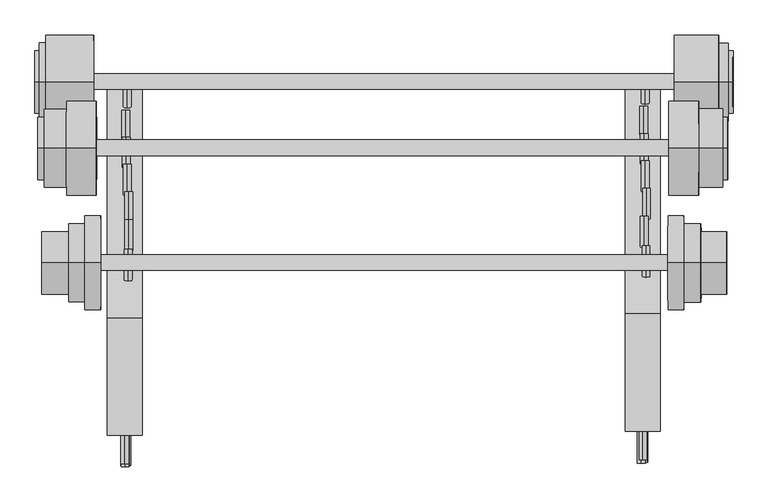
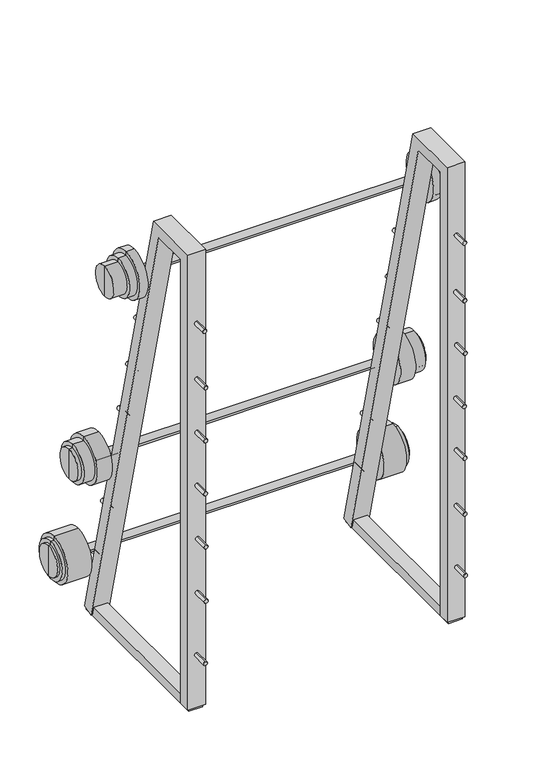
"""IFC4 building model written with IfcOpenShell, lengths in millimetres: proxy geometry."""

from ifc_helpers import new_model, si_unit, point, frame, frame_2d, origin, place, context, project, spatial, polyline, circle_curve, trimmed, segment, composite_curve, outline, extrude, source, transform, mapped, element, save
from ifc_brep_helpers import plane_surface, cylinder_surface, advanced_brep


def specialty_equipment_92856e84(model_context):
    return source(origin(), model_context, "Body", "SolidModel", [
        extrude(outline(composite_curve([segment(trimmed(circle_curve(frame_2d((1317.4327593, 1426.5135242)), 6.35), [point((1311.0827593, 1426.5135242))], [point((1323.7827593, 1426.5135242))], False, "CARTESIAN"), True, "CONTINUOUS"), segment(trimmed(circle_curve(frame_2d((1317.4327593, 1426.5135242)), 6.35), [point((1323.7827593, 1426.5135242))], [point((1311.0827593, 1426.5135242))], False, "CARTESIAN"), True, "CONTINUOUS")], self_intersect=False)), frame((0.0, 2492.8443645, 0.0), z_axis=(0.0, 1.0, 0.0), x_axis=(0.0, 0.0, 1.0)), (0.0, 0.0, 1.0), 50.8),
        extrude(outline(composite_curve([segment(trimmed(circle_curve(frame_2d((1125.8539952, 1423.9521431)), 6.35), [point((1119.5039952, 1423.9521431))], [point((1132.2039952, 1423.9521431))], False, "CARTESIAN"), True, "CONTINUOUS"), segment(trimmed(circle_curve(frame_2d((1125.8539952, 1423.9521431)), 6.35), [point((1132.2039952, 1423.9521431))], [point((1119.5039952, 1423.9521431))], False, "CARTESIAN"), True, "CONTINUOUS")], self_intersect=False)), frame((0.0, 2487.5928713, 0.0), z_axis=(0.0, 1.0, 0.0), x_axis=(0.0, 0.0, 1.0)), (0.0, 0.0, 1.0), 50.8),
        extrude(outline(composite_curve([segment(trimmed(circle_curve(frame_2d((944.9274605, 1426.8239084)), 6.35), [point((938.5774605, 1426.8239084))], [point((951.2774605, 1426.8239084))], False, "CARTESIAN"), True, "CONTINUOUS"), segment(trimmed(circle_curve(frame_2d((944.9274605, 1426.8239084)), 6.35), [point((951.2774605, 1426.8239084))], [point((938.5774605, 1426.8239084))], False, "CARTESIAN"), True, "CONTINUOUS")], self_intersect=False)), frame((0.0, 2489.2196629, 0.0), z_axis=(0.0, 1.0, 0.0), x_axis=(0.0, 0.0, 1.0)), (0.0, 0.0, 1.0), 50.8),
        extrude(outline(composite_curve([segment(trimmed(circle_curve(frame_2d((764.8635011, 1424.3394588)), 6.35), [point((758.5135011, 1424.3394588))], [point((771.2135011, 1424.3394588))], False, "CARTESIAN"), True, "CONTINUOUS"), segment(trimmed(circle_curve(frame_2d((764.8635011, 1424.3394588)), 6.35), [point((771.2135011, 1424.3394588))], [point((758.5135011, 1424.3394588))], False, "CARTESIAN"), True, "CONTINUOUS")], self_intersect=False)), frame((0.0, 2490.03498, 0.0), z_axis=(0.0, 1.0, 0.0), x_axis=(0.0, 0.0, 1.0)), (0.0, 0.0, 1.0), 50.8),
        extrude(outline(composite_curve([segment(trimmed(circle_curve(frame_2d((588.0030748, 1426.3858814)), 6.35), [point((581.6530748, 1426.3858814))], [point((594.3530748, 1426.3858814))], False, "CARTESIAN"), True, "CONTINUOUS"), segment(trimmed(circle_curve(frame_2d((588.0030748, 1426.3858814)), 6.35), [point((594.3530748, 1426.3858814))], [point((581.6530748, 1426.3858814))], False, "CARTESIAN"), True, "CONTINUOUS")], self_intersect=False)), frame((0.0, 2490.6876236, 0.0), z_axis=(0.0, 1.0, 0.0), x_axis=(0.0, 0.0, 1.0)), (0.0, 0.0, 1.0), 50.8),
        extrude(outline(composite_curve([segment(trimmed(circle_curve(frame_2d((399.6720756, 1425.3663836)), 6.35), [point((393.3220756, 1425.3663836))], [point((406.0220756, 1425.3663836))], False, "CARTESIAN"), True, "CONTINUOUS"), segment(trimmed(circle_curve(frame_2d((399.6720756, 1425.3663836)), 6.35), [point((406.0220756, 1425.3663836))], [point((393.3220756, 1425.3663836))], False, "CARTESIAN"), True, "CONTINUOUS")], self_intersect=False)), frame((0.0, 2488.6122407, 0.0), z_axis=(0.0, 1.0, 0.0), x_axis=(0.0, 0.0, 1.0)), (0.0, 0.0, 1.0), 50.8),
        extrude(outline(composite_curve([segment(trimmed(circle_curve(frame_2d((189.5629531, 1427.5541395)), 6.35), [point((183.2129531, 1427.5541395))], [point((195.9129531, 1427.5541395))], False, "CARTESIAN"), True, "CONTINUOUS"), segment(trimmed(circle_curve(frame_2d((189.5629531, 1427.5541395)), 6.35), [point((195.9129531, 1427.5541395))], [point((183.2129531, 1427.5541395))], False, "CARTESIAN"), True, "CONTINUOUS")], self_intersect=False)), frame((0.0, 2489.5354538, 0.0), z_axis=(0.0, 1.0, 0.0), x_axis=(0.0, 0.0, 1.0)), (0.0, 0.0, 1.0), 50.8),
        extrude(outline(composite_curve([segment(trimmed(circle_curve(frame_2d((1312.35276, 1431.4679697)), 6.35), [point((1306.00276, 1431.4679697))], [point((1318.70276, 1431.4679697))], False, "CARTESIAN"), True, "CONTINUOUS"), segment(trimmed(circle_curve(frame_2d((1312.35276, 1431.4679697)), 6.35), [point((1318.70276, 1431.4679697))], [point((1306.00276, 1431.4679697))], False, "CARTESIAN"), True, "CONTINUOUS")], self_intersect=False)), frame((0.0, 2788.833564, 0.0), z_axis=(0.0, 1.0, 0.0), x_axis=(0.0, 0.0, 1.0)), (0.0, 0.0, 1.0), 50.8),
        extrude(outline(composite_curve([segment(trimmed(circle_curve(frame_2d((1122.2914332, 1428.4125784)), 6.35), [point((1115.9414332, 1428.4125784))], [point((1128.6414332, 1428.4125784))], False, "CARTESIAN"), True, "CONTINUOUS"), segment(trimmed(circle_curve(frame_2d((1122.2914332, 1428.4125784)), 6.35), [point((1128.6414332, 1428.4125784))], [point((1115.9414332, 1428.4125784))], False, "CARTESIAN"), True, "CONTINUOUS")], self_intersect=False)), frame((0.0, 2836.7451793, 0.0), z_axis=(0.0, 1.0, 0.0), x_axis=(0.0, 0.0, 1.0)), (0.0, 0.0, 1.0), 50.8),
        extrude(outline(composite_curve([segment(trimmed(circle_curve(frame_2d((937.6070397, 1432.260968)), 6.35), [point((931.2570397, 1432.260968))], [point((943.9570397, 1432.260968))], False, "CARTESIAN"), True, "CONTINUOUS"), segment(trimmed(circle_curve(frame_2d((937.6070397, 1432.260968)), 6.35), [point((943.9570397, 1432.260968))], [point((931.2570397, 1432.260968))], False, "CARTESIAN"), True, "CONTINUOUS")], self_intersect=False)), frame((0.0, 2882.2458181, 0.0), z_axis=(0.0, 1.0, 0.0), x_axis=(0.0, 0.0, 1.0)), (0.0, 0.0, 1.0), 50.8),
        extrude(outline(composite_curve([segment(trimmed(circle_curve(frame_2d((760.7995017, 1430.304206)), 6.35), [point((754.4495017, 1430.304206))], [point((767.1495017, 1430.304206))], False, "CARTESIAN"), True, "CONTINUOUS"), segment(trimmed(circle_curve(frame_2d((760.7995017, 1430.304206)), 6.35), [point((767.1495017, 1430.304206))], [point((754.4495017, 1430.304206))], False, "CARTESIAN"), True, "CONTINUOUS")], self_intersect=False)), frame((0.0, 2926.8345753, 0.0), z_axis=(0.0, 1.0, 0.0), x_axis=(0.0, 0.0, 1.0)), (0.0, 0.0, 1.0), 50.8),
        extrude(outline(composite_curve([segment(trimmed(circle_curve(frame_2d((580.8910758, 1428.5055717)), 6.35), [point((574.5410758, 1428.5055717))], [point((587.2410758, 1428.5055717))], False, "CARTESIAN"), True, "CONTINUOUS"), segment(trimmed(circle_curve(frame_2d((580.8910758, 1428.5055717)), 6.35), [point((587.2410758, 1428.5055717))], [point((574.5410758, 1428.5055717))], False, "CARTESIAN"), True, "CONTINUOUS")], self_intersect=False)), frame((0.0, 2970.5924421, 0.0), z_axis=(0.0, 1.0, 0.0), x_axis=(0.0, 0.0, 1.0)), (0.0, 0.0, 1.0), 50.8),
        extrude(outline(composite_curve([segment(trimmed(circle_curve(frame_2d((394.2354828, 1427.8426674)), 6.35), [point((387.8854828, 1427.8426674))], [point((400.5854828, 1427.8426674))], False, "CARTESIAN"), True, "CONTINUOUS"), segment(trimmed(circle_curve(frame_2d((394.2354828, 1427.8426674)), 6.35), [point((400.5854828, 1427.8426674))], [point((387.8854828, 1427.8426674))], False, "CARTESIAN"), True, "CONTINUOUS")], self_intersect=False)), frame((0.0, 3014.4802405, 0.0), z_axis=(0.0, 1.0, 0.0), x_axis=(0.0, 0.0, 1.0)), (0.0, 0.0, 1.0), 50.8),
        extrude(outline(composite_curve([segment(trimmed(circle_curve(frame_2d((187.9856629, 1430.0350758)), 6.35), [point((181.6356629, 1430.0350758))], [point((194.3356629, 1430.0350758))], False, "CARTESIAN"), True, "CONTINUOUS"), segment(trimmed(circle_curve(frame_2d((187.9856629, 1430.0350758)), 6.35), [point((194.3356629, 1430.0350758))], [point((181.6356629, 1430.0350758))], False, "CARTESIAN"), True, "CONTINUOUS")], self_intersect=False)), frame((0.0, 3066.6542686, 0.0), z_axis=(0.0, 1.0, 0.0), x_axis=(0.0, 0.0, 1.0)), (0.0, 0.0, 1.0), 50.8),
        extrude(outline(polyline([(1446.6601812, 2540.4948136), (1402.2101812, 2540.4948136), (1402.2101812, 3111.1850195), (1446.6601812, 3111.1850195), (1446.6601812, 2540.4948136)])), frame((0.0, 0.0, 4.9132086), z_axis=(0.0, 0.0, 1.0), x_axis=(1.0, 0.0, 0.0)), (0.0, 0.0, 1.0), 31.75),
        extrude(outline(polyline([(2577.1651415, 11.1358081), (2539.0651415, 11.1358081), (2539.0651415, 1556.4324861), (2729.4006079, 1556.4324861), (3113.4017715, 16.2879408), (3076.4335043, 7.0707166), (2699.6336255, 1518.3324861), (2577.1651415, 1518.3324861), (2577.1651415, 11.1358081)])), frame((1397.4459215, 0.0, 0.0), z_axis=(1.0, 0.0, 0.0), x_axis=(0.0, 1.0, 0.0)), (0.0, 0.0, 1.0), 57.15),
        extrude(outline(composite_curve([segment(trimmed(circle_curve(frame_2d((1315.2965711, 587.3718635)), 6.35), [point((1308.9465711, 587.3718635))], [point((1321.6465711, 587.3718635))], False, "CARTESIAN"), True, "CONTINUOUS"), segment(trimmed(circle_curve(frame_2d((1315.2965711, 587.3718635)), 6.35), [point((1321.6465711, 587.3718635))], [point((1308.9465711, 587.3718635))], False, "CARTESIAN"), True, "CONTINUOUS")], self_intersect=False)), frame((0.0, 2486.7626911, 0.0), z_axis=(0.0, 1.0, 0.0), x_axis=(0.0, 0.0, 1.0)), (0.0, 0.0, 1.0), 50.8),
        extrude(outline(composite_curve([segment(trimmed(circle_curve(frame_2d((1126.3554326, 587.8134083)), 6.35), [point((1120.0054326, 587.8134083))], [point((1132.7054326, 587.8134083))], False, "CARTESIAN"), True, "CONTINUOUS"), segment(trimmed(circle_curve(frame_2d((1126.3554326, 587.8134083)), 6.35), [point((1132.7054326, 587.8134083))], [point((1120.0054326, 587.8134083))], False, "CARTESIAN"), True, "CONTINUOUS")], self_intersect=False)), frame((0.0, 2481.5111979, 0.0), z_axis=(0.0, 1.0, 0.0), x_axis=(0.0, 0.0, 1.0)), (0.0, 0.0, 1.0), 50.8),
        extrude(outline(composite_curve([segment(trimmed(circle_curve(frame_2d((945.089174, 588.4374808)), 6.35), [point((938.739174, 588.4374808))], [point((951.439174, 588.4374808))], False, "CARTESIAN"), True, "CONTINUOUS"), segment(trimmed(circle_curve(frame_2d((945.089174, 588.4374808)), 6.35), [point((951.439174, 588.4374808))], [point((938.739174, 588.4374808))], False, "CARTESIAN"), True, "CONTINUOUS")], self_intersect=False)), frame((0.0, 2483.1379895, 0.0), z_axis=(0.0, 1.0, 0.0), x_axis=(0.0, 0.0, 1.0)), (0.0, 0.0, 1.0), 50.8),
        extrude(outline(composite_curve([segment(trimmed(circle_curve(frame_2d((764.8635011, 588.4276243)), 6.35), [point((758.5135011, 588.4276243))], [point((771.2135011, 588.4276243))], False, "CARTESIAN"), True, "CONTINUOUS"), segment(trimmed(circle_curve(frame_2d((764.8635011, 588.4276243)), 6.35), [point((771.2135011, 588.4276243))], [point((758.5135011, 588.4276243))], False, "CARTESIAN"), True, "CONTINUOUS")], self_intersect=False)), frame((0.0, 2483.9533066, 0.0), z_axis=(0.0, 1.0, 0.0), x_axis=(0.0, 0.0, 1.0)), (0.0, 0.0, 1.0), 50.8),
        extrude(outline(composite_curve([segment(trimmed(circle_curve(frame_2d((582.9887015, 590.4529638)), 6.35), [point((576.6387015, 590.4529638))], [point((589.3387015, 590.4529638))], False, "CARTESIAN"), True, "CONTINUOUS"), segment(trimmed(circle_curve(frame_2d((582.9887015, 590.4529638)), 6.35), [point((589.3387015, 590.4529638))], [point((576.6387015, 590.4529638))], False, "CARTESIAN"), True, "CONTINUOUS")], self_intersect=False)), frame((0.0, 2484.6059502, 0.0), z_axis=(0.0, 1.0, 0.0), x_axis=(0.0, 0.0, 1.0)), (0.0, 0.0, 1.0), 50.8),
        extrude(outline(composite_curve([segment(trimmed(circle_curve(frame_2d((400.331482, 589.3243871)), 6.35), [point((393.981482, 589.3243871))], [point((406.681482, 589.3243871))], False, "CARTESIAN"), True, "CONTINUOUS"), segment(trimmed(circle_curve(frame_2d((400.331482, 589.3243871)), 6.35), [point((406.681482, 589.3243871))], [point((393.981482, 589.3243871))], False, "CARTESIAN"), True, "CONTINUOUS")], self_intersect=False)), frame((0.0, 2482.5305673, 0.0), z_axis=(0.0, 1.0, 0.0), x_axis=(0.0, 0.0, 1.0)), (0.0, 0.0, 1.0), 50.8),
        extrude(outline(composite_curve([segment(trimmed(circle_curve(frame_2d((189.0615158, 587.403906)), 6.35), [point((182.7115158, 587.403906))], [point((195.4115158, 587.403906))], False, "CARTESIAN"), True, "CONTINUOUS"), segment(trimmed(circle_curve(frame_2d((189.0615158, 587.403906)), 6.35), [point((195.4115158, 587.403906))], [point((182.7115158, 587.403906))], False, "CARTESIAN"), True, "CONTINUOUS")], self_intersect=False)), frame((0.0, 2483.4537804, 0.0), z_axis=(0.0, 1.0, 0.0), x_axis=(0.0, 0.0, 1.0)), (0.0, 0.0, 1.0), 50.8),
        extrude(outline(composite_curve([segment(trimmed(circle_curve(frame_2d((1312.35276, 592.8220482)), 6.35), [point((1306.00276, 592.8220482))], [point((1318.70276, 592.8220482))], False, "CARTESIAN"), True, "CONTINUOUS"), segment(trimmed(circle_curve(frame_2d((1312.35276, 592.8220482)), 6.35), [point((1318.70276, 592.8220482))], [point((1306.00276, 592.8220482))], False, "CARTESIAN"), True, "CONTINUOUS")], self_intersect=False)), frame((0.0, 2782.7518906, 0.0), z_axis=(0.0, 1.0, 0.0), x_axis=(0.0, 0.0, 1.0)), (0.0, 0.0, 1.0), 50.8),
        extrude(outline(composite_curve([segment(trimmed(circle_curve(frame_2d((1122.2914332, 593.8032274)), 6.35), [point((1115.9414332, 593.8032274))], [point((1128.6414332, 593.8032274))], False, "CARTESIAN"), True, "CONTINUOUS"), segment(trimmed(circle_curve(frame_2d((1122.2914332, 593.8032274)), 6.35), [point((1128.6414332, 593.8032274))], [point((1115.9414332, 593.8032274))], False, "CARTESIAN"), True, "CONTINUOUS")], self_intersect=False)), frame((0.0, 2831.2401589, 0.0), z_axis=(0.0, 1.0, 0.0), x_axis=(0.0, 0.0, 1.0)), (0.0, 0.0, 1.0), 50.8),
        extrude(outline(composite_curve([segment(trimmed(circle_curve(frame_2d((937.6070397, 593.6150465)), 6.35), [point((931.2570397, 593.6150465))], [point((943.9570397, 593.6150465))], False, "CARTESIAN"), True, "CONTINUOUS"), segment(trimmed(circle_curve(frame_2d((937.6070397, 593.6150465)), 6.35), [point((943.9570397, 593.6150465))], [point((931.2570397, 593.6150465))], False, "CARTESIAN"), True, "CONTINUOUS")], self_intersect=False)), frame((0.0, 2876.1641447, 0.0), z_axis=(0.0, 1.0, 0.0), x_axis=(0.0, 0.0, 1.0)), (0.0, 0.0, 1.0), 50.8),
        extrude(outline(composite_curve([segment(trimmed(circle_curve(frame_2d((760.7995017, 591.6582845)), 6.35), [point((754.4495017, 591.6582845))], [point((767.1495017, 591.6582845))], False, "CARTESIAN"), True, "CONTINUOUS"), segment(trimmed(circle_curve(frame_2d((760.7995017, 591.6582845)), 6.35), [point((767.1495017, 591.6582845))], [point((754.4495017, 591.6582845))], False, "CARTESIAN"), True, "CONTINUOUS")], self_intersect=False)), frame((0.0, 2920.7529019, 0.0), z_axis=(0.0, 1.0, 0.0), x_axis=(0.0, 0.0, 1.0)), (0.0, 0.0, 1.0), 50.8),
        extrude(outline(composite_curve([segment(trimmed(circle_curve(frame_2d((580.8910758, 589.8596502)), 6.35), [point((574.5410758, 589.8596502))], [point((587.2410758, 589.8596502))], False, "CARTESIAN"), True, "CONTINUOUS"), segment(trimmed(circle_curve(frame_2d((580.8910758, 589.8596502)), 6.35), [point((587.2410758, 589.8596502))], [point((574.5410758, 589.8596502))], False, "CARTESIAN"), True, "CONTINUOUS")], self_intersect=False)), frame((0.0, 2964.5107687, 0.0), z_axis=(0.0, 1.0, 0.0), x_axis=(0.0, 0.0, 1.0)), (0.0, 0.0, 1.0), 50.8),
        extrude(outline(composite_curve([segment(trimmed(circle_curve(frame_2d((394.2354828, 589.1967459)), 6.35), [point((387.8854828, 589.1967459))], [point((400.5854828, 589.1967459))], False, "CARTESIAN"), True, "CONTINUOUS"), segment(trimmed(circle_curve(frame_2d((394.2354828, 589.1967459)), 6.35), [point((400.5854828, 589.1967459))], [point((387.8854828, 589.1967459))], False, "CARTESIAN"), True, "CONTINUOUS")], self_intersect=False)), frame((0.0, 3008.3985671, 0.0), z_axis=(0.0, 1.0, 0.0), x_axis=(0.0, 0.0, 1.0)), (0.0, 0.0, 1.0), 50.8),
        extrude(outline(composite_curve([segment(trimmed(circle_curve(frame_2d((187.9856629, 591.3891543)), 6.35), [point((181.6356629, 591.3891543))], [point((194.3356629, 591.3891543))], False, "CARTESIAN"), True, "CONTINUOUS"), segment(trimmed(circle_curve(frame_2d((187.9856629, 591.3891543)), 6.35), [point((194.3356629, 591.3891543))], [point((181.6356629, 591.3891543))], False, "CARTESIAN"), True, "CONTINUOUS")], self_intersect=False)), frame((0.0, 3060.5725952, 0.0), z_axis=(0.0, 1.0, 0.0), x_axis=(0.0, 0.0, 1.0)), (0.0, 0.0, 1.0), 50.8),
        extrude(outline(polyline([(608.0142597, 2534.4131402), (563.5642597, 2534.4131402), (563.5642597, 3105.1033461), (608.0142597, 3105.1033461), (608.0142597, 2534.4131402)])), frame((0.0, 0.0, 4.9132086), z_axis=(0.0, 0.0, 1.0), x_axis=(1.0, 0.0, 0.0)), (0.0, 0.0, 1.0), 31.75),
        extrude(outline(polyline([(2571.0834681, 11.1358081), (2532.9834681, 11.1358081), (2532.9834681, 1556.4324861), (2723.3189345, 1556.4324861), (3107.3200981, 16.2879408), (3070.3518309, 7.0707166), (2693.5519522, 1518.3324861), (2571.0834681, 1518.3324861), (2571.0834681, 11.1358081)])), frame((558.8, 0.0, 0.0), z_axis=(1.0, 0.0, 0.0), x_axis=(0.0, 1.0, 0.0)), (0.0, 0.0, 1.0), 57.15),
        advanced_brep(
        [(1477.0472793, 3104.7601336, 213.458722), (1477.1920316, 3104.7601336, 137.2588595), (1476.902527, 3104.7601336, 289.6585845), (1572.2006059, 3104.7601336, 264.4395707), (1572.393609, 3104.7601336, 162.839754), (1572.2971075, 3104.7601336, 213.6396624), (1564.4748311, 3104.7601336, 264.4248945), (1564.6678342, 3104.7601336, 162.8250778), (1564.4507057, 3104.7601336, 277.1248716), (1564.6919596, 3104.7601336, 150.1251008), (1549.1982907, 3104.7601336, 277.0958975), (1549.4395445, 3104.7601336, 150.0961267), (1549.1741653, 3104.7601336, 289.7958746), (1549.4636699, 3104.7601336, 137.3961496)],
        [
            (0, 1),
            (1, 2, circle_curve(frame((1477.0472793, 3104.7601336, 213.458722), z_axis=(-0.9999981956892882, 0.0, -0.001899636325284712), x_axis=(0.0018996363252847125, 0.0, -0.9999981956892884)), 76.2)),
            (2, 0),
            (2, 1, circle_curve(frame((1477.0472793, 3104.7601336, 213.458722), z_axis=(-0.9999981956892882, 0.0, -0.001899636325284712), x_axis=(0.0018996363252847125, 0.0, -0.9999981956892884)), 76.2)),
            (3, 4, circle_curve(frame((1572.2971075, 3104.7601336, 213.6396624), z_axis=(0.9999981956892882, 0.0, 0.001899636325284712), x_axis=(0.0018996363252847125, 0.0, -0.9999981956892884)), 50.8)),
            (4, 5),
            (5, 3),
            (4, 3, circle_curve(frame((1572.2971075, 3104.7601336, 213.6396624), z_axis=(0.9999981956892882, 0.0, 0.001899636325284712), x_axis=(0.0018996363252847125, 0.0, -0.9999981956892884)), 50.8)),
            (6, 7, circle_curve(frame((1564.5713327, 3104.7601336, 213.6249862), z_axis=(0.9999981956892882, 0.0, 0.001899636325284712), x_axis=(0.0018996363252847125, 0.0, -0.9999981956892884)), 50.8)),
            (7, 4),
            (3, 6),
            (7, 6, circle_curve(frame((1564.5713327, 3104.7601336, 213.6249862), z_axis=(0.9999981956892882, 0.0, 0.001899636325284712), x_axis=(0.0018996363252847125, 0.0, -0.9999981956892884)), 50.8)),
            (8, 9, circle_curve(frame((1564.5713327, 3104.7601336, 213.6249862), z_axis=(0.9999981956892882, 0.0, 0.001899636325284712), x_axis=(0.0018996363252847125, 0.0, -0.9999981956892884)), 63.5)),
            (9, 7),
            (6, 8),
            (9, 8, circle_curve(frame((1564.5713327, 3104.7601336, 213.6249862), z_axis=(0.9999981956892882, 0.0, 0.001899636325284712), x_axis=(0.0018996363252847125, 0.0, -0.9999981956892884)), 63.5)),
            (10, 11, circle_curve(frame((1549.3189176, 3104.7601336, 213.5960121), z_axis=(0.9999981956892882, 0.0, 0.001899636325284712), x_axis=(0.0018996363252847125, 0.0, -0.9999981956892884)), 63.5)),
            (11, 9),
            (8, 10),
            (11, 10, circle_curve(frame((1549.3189176, 3104.7601336, 213.5960121), z_axis=(0.9999981956892882, 0.0, 0.001899636325284712), x_axis=(0.0018996363252847125, 0.0, -0.9999981956892884)), 63.5)),
            (12, 13, circle_curve(frame((1549.3189176, 3104.7601336, 213.5960121), z_axis=(0.9999981956892882, 0.0, 0.001899636325284712), x_axis=(0.0018996363252847125, 0.0, -0.9999981956892884)), 76.2)),
            (13, 11),
            (10, 12),
            (13, 12, circle_curve(frame((1549.3189176, 3104.7601336, 213.5960121), z_axis=(0.9999981956892882, 0.0, 0.001899636325284712), x_axis=(0.0018996363252847125, 0.0, -0.9999981956892884)), 76.2)),
            (1, 13),
            (12, 2),
        ],
        [
            plane_surface(frame((1477.0472793, 3104.7601336, 213.458722), z_axis=(-0.9999981956892882, 0.0, -0.001899636325284712), x_axis=(0.001899636325284712, 0.0, -0.9999981956892882))),
            plane_surface(frame((1572.2971075, 3104.7601336, 213.6396624), z_axis=(0.9999981956892882, 0.0, 0.001899636325284712), x_axis=(0.001899636325284712, 0.0, -0.9999981956892882))),
            cylinder_surface(frame((1572.2971075, 3104.7601336, 213.6396624), z_axis=(-0.9999981956892882, 0.0, -0.001899636325284712), x_axis=(0.0018996363252847125, 0.0, -0.9999981956892884)), 50.8),
            plane_surface(frame((1564.5713327, 3104.7601336, 213.6249862), z_axis=(0.9999981956892882, 0.0, 0.001899636325284712), x_axis=(0.001899636325284712, 0.0, -0.9999981956892882))),
            cylinder_surface(frame((1572.2971075, 3104.7601336, 213.6396624), z_axis=(-0.9999981956892882, 0.0, -0.001899636325284712), x_axis=(0.0018996363252847125, 0.0, -0.9999981956892884)), 63.5),
            plane_surface(frame((1549.3189176, 3104.7601336, 213.5960121), z_axis=(0.9999981956892882, 0.0, 0.001899636325284712), x_axis=(0.001899636325284712, 0.0, -0.9999981956892882))),
            cylinder_surface(frame((1572.2971075, 3104.7601336, 213.6396624), z_axis=(-0.9999981956892882, 0.0, -0.001899636325284712), x_axis=(0.0018996363252847125, 0.0, -0.9999981956892884)), 76.2),
        ],
        [
            (0, [[1, 2, 3]]),
            (0, [[-3, 4, -1]]),
            (1, [[5, 6, 7]]),
            (1, [[8, -7, -6]]),
            (2, [[9, 10, -5, 11]]),
            (2, [[12, -11, -8, -10]]),
            (3, [[13, 14, -9, 15]]),
            (3, [[16, -15, -12, -14]]),
            (4, [[17, 18, -13, 19]]),
            (4, [[20, -19, -16, -18]]),
            (5, [[21, 22, -17, 23]]),
            (5, [[24, -23, -20, -22]]),
            (6, [[-2, 25, -21, 26]]),
            (6, [[-4, -26, -24, -25]]),
        ],
    ),
        extrude(outline(composite_curve([segment(trimmed(circle_curve(frame_2d((0.0, -12.7)), 12.7), [point((0.0, -25.4))], [point((0.0, 0.0))], False, "CARTESIAN"), True, "CONTINUOUS"), segment(trimmed(circle_curve(frame_2d((0.0, -12.7)), 12.7), [point((0.0, 0.0))], [point((0.0, -25.4))], False, "CARTESIAN"), True, "CONTINUOUS")], self_intersect=False)), frame((537.2546397, 3118.296939, 209.415215), z_axis=(0.9999981956892882, 0.0, 0.0018996363252847118), x_axis=(0.0018996363252847118, 0.0, -0.9999981956892882)), (0.0, 0.0, 1.0), 954.1597835),
        advanced_brep(
        [(459.4851684, 3104.7601336, 289.1733835), (459.774673, 3104.7601336, 136.7736585), (537.3923524, 3104.7601336, 136.9211042), (537.1028479, 3104.7601336, 289.3208292), (459.5092938, 3104.7601336, 276.4734065), (459.7505476, 3104.7601336, 149.4736356), (448.8989181, 3104.7601336, 276.4532506), (449.1401719, 3104.7601336, 149.4534797), (448.9230435, 3104.7601336, 263.7532735), (449.1160466, 3104.7601336, 162.1534568), (441.9012705, 3104.7601336, 263.7399346), (442.0942735, 3104.7601336, 162.140118), (441.997772, 3104.7601336, 212.9400263), (537.2476001, 3104.7601336, 213.1209667)],
        [
            (0, 1, circle_curve(frame((459.6299207, 3104.7601336, 212.973521), z_axis=(0.9999981956892882, 0.0, 0.001899636325284712), x_axis=(0.0018996363252847125, 0.0, -0.9999981956892884)), 76.2)),
            (1, 2),
            (2, 3, circle_curve(frame((537.2476001, 3104.7601336, 213.1209667), z_axis=(-0.9999981956892882, 0.0, -0.001899636325284712), x_axis=(0.0018996363252847125, 0.0, -0.9999981956892884)), 76.2)),
            (3, 0),
            (1, 0, circle_curve(frame((459.6299207, 3104.7601336, 212.973521), z_axis=(0.9999981956892882, 0.0, 0.001899636325284712), x_axis=(0.0018996363252847125, 0.0, -0.9999981956892884)), 76.2)),
            (3, 2, circle_curve(frame((537.2476001, 3104.7601336, 213.1209667), z_axis=(-0.9999981956892882, 0.0, -0.001899636325284712), x_axis=(0.0018996363252847125, 0.0, -0.9999981956892884)), 76.2)),
            (4, 5, circle_curve(frame((459.6299207, 3104.7601336, 212.973521), z_axis=(0.9999981956892882, 0.0, 0.001899636325284712), x_axis=(0.0018996363252847125, 0.0, -0.9999981956892884)), 63.5)),
            (5, 1),
            (0, 4),
            (5, 4, circle_curve(frame((459.6299207, 3104.7601336, 212.973521), z_axis=(0.9999981956892882, 0.0, 0.001899636325284712), x_axis=(0.0018996363252847125, 0.0, -0.9999981956892884)), 63.5)),
            (6, 7, circle_curve(frame((449.019545, 3104.7601336, 212.9533651), z_axis=(0.9999981956892882, 0.0, 0.001899636325284712), x_axis=(0.0018996363252847125, 0.0, -0.9999981956892884)), 63.5)),
            (7, 5),
            (4, 6),
            (7, 6, circle_curve(frame((449.019545, 3104.7601336, 212.9533651), z_axis=(0.9999981956892882, 0.0, 0.001899636325284712), x_axis=(0.0018996363252847125, 0.0, -0.9999981956892884)), 63.5)),
            (8, 9, circle_curve(frame((449.019545, 3104.7601336, 212.9533651), z_axis=(0.9999981956892882, 0.0, 0.001899636325284712), x_axis=(0.0018996363252847125, 0.0, -0.9999981956892884)), 50.8)),
            (9, 7),
            (6, 8),
            (9, 8, circle_curve(frame((449.019545, 3104.7601336, 212.9533651), z_axis=(0.9999981956892882, 0.0, 0.001899636325284712), x_axis=(0.0018996363252847125, 0.0, -0.9999981956892884)), 50.8)),
            (10, 11, circle_curve(frame((441.997772, 3104.7601336, 212.9400263), z_axis=(0.9999981956892882, 0.0, 0.001899636325284712), x_axis=(0.0018996363252847125, 0.0, -0.9999981956892884)), 50.8)),
            (11, 9),
            (8, 10),
            (11, 10, circle_curve(frame((441.997772, 3104.7601336, 212.9400263), z_axis=(0.9999981956892882, 0.0, 0.001899636325284712), x_axis=(0.0018996363252847125, 0.0, -0.9999981956892884)), 50.8)),
            (12, 11),
            (10, 12),
            (2, 13),
            (13, 3),
        ],
        [
            cylinder_surface(frame((441.997772, 3104.7601336, 212.9400263), z_axis=(-0.9999981956892882, 0.0, -0.001899636325284712), x_axis=(0.0018996363252847125, 0.0, -0.9999981956892884)), 76.2),
            plane_surface(frame((459.6299207, 3104.7601336, 212.973521), z_axis=(-0.9999981956892882, 0.0, -0.001899636325284712), x_axis=(0.001899636325284712, 0.0, -0.9999981956892882))),
            cylinder_surface(frame((441.997772, 3104.7601336, 212.9400263), z_axis=(-0.9999981956892882, 0.0, -0.001899636325284712), x_axis=(0.0018996363252847125, 0.0, -0.9999981956892884)), 63.5),
            plane_surface(frame((449.019545, 3104.7601336, 212.9533651), z_axis=(-0.9999981956892882, 0.0, -0.001899636325284712), x_axis=(0.001899636325284712, 0.0, -0.9999981956892882))),
            cylinder_surface(frame((441.997772, 3104.7601336, 212.9400263), z_axis=(-0.9999981956892882, 0.0, -0.001899636325284712), x_axis=(0.0018996363252847125, 0.0, -0.9999981956892884)), 50.8),
            plane_surface(frame((441.997772, 3104.7601336, 212.9400263), z_axis=(-0.9999981956892882, 0.0, -0.001899636325284712), x_axis=(0.001899636325284712, 0.0, -0.9999981956892882))),
            plane_surface(frame((537.2476001, 3104.7601336, 213.1209667), z_axis=(0.9999981956892882, 0.0, 0.001899636325284712), x_axis=(0.001899636325284712, 0.0, -0.9999981956892882))),
        ],
        [
            (0, [[1, 2, 3, 4]]),
            (0, [[5, -4, 6, -2]]),
            (1, [[7, 8, -1, 9]]),
            (1, [[10, -9, -5, -8]]),
            (2, [[11, 12, -7, 13]]),
            (2, [[14, -13, -10, -12]]),
            (3, [[15, 16, -11, 17]]),
            (3, [[18, -17, -14, -16]]),
            (4, [[19, 20, -15, 21]]),
            (4, [[22, -21, -18, -20]]),
            (5, [[23, -19, 24]]),
            (5, [[-24, -22, -23]]),
            (6, [[-3, 25, 26]]),
            (6, [[-6, -26, -25]]),
        ],
    ),
        advanced_brep(
        [(1467.0818707, 2811.7346779, 1336.6499143), (1467.226623, 2811.7346779, 1260.4500518), (1466.9371184, 2811.7346779, 1412.8497768), (1562.2351973, 2811.7346779, 1387.630763), (1562.4282004, 2811.7346779, 1286.0309463), (1562.3316988, 2811.7346779, 1336.8308547), (1520.2769435, 2811.7346779, 1387.5510574), (1520.4699466, 2811.7346779, 1285.9512408), (1520.2528182, 2811.7346779, 1400.2510345), (1520.494072, 2811.7346779, 1273.2512637), (1492.4141947, 2811.7346779, 1400.1981512), (1492.6554486, 2811.7346779, 1273.1983803), (1492.3900694, 2811.7346779, 1412.8981283), (1492.6795739, 2811.7346779, 1260.4984032)],
        [
            (0, 1),
            (1, 2, circle_curve(frame((1467.0818707, 2811.7346779, 1336.6499143), z_axis=(-0.9999981956892882, 0.0, -0.001899636325284712), x_axis=(0.0018996363252847125, 0.0, -0.9999981956892884)), 76.2)),
            (2, 0),
            (2, 1, circle_curve(frame((1467.0818707, 2811.7346779, 1336.6499143), z_axis=(-0.9999981956892882, 0.0, -0.001899636325284712), x_axis=(0.0018996363252847125, 0.0, -0.9999981956892884)), 76.2)),
            (3, 4, circle_curve(frame((1562.3316988, 2811.7346779, 1336.8308547), z_axis=(0.9999981956892882, 0.0, 0.001899636325284712), x_axis=(0.0018996363252847125, 0.0, -0.9999981956892884)), 50.8)),
            (4, 5),
            (5, 3),
            (4, 3, circle_curve(frame((1562.3316988, 2811.7346779, 1336.8308547), z_axis=(0.9999981956892882, 0.0, 0.001899636325284712), x_axis=(0.0018996363252847125, 0.0, -0.9999981956892884)), 50.8)),
            (6, 7, circle_curve(frame((1520.3734451, 2811.7346779, 1336.7511491), z_axis=(0.9999981956892882, 0.0, 0.001899636325284712), x_axis=(0.0018996363252847125, 0.0, -0.9999981956892884)), 50.8)),
            (7, 4),
            (3, 6),
            (7, 6, circle_curve(frame((1520.3734451, 2811.7346779, 1336.7511491), z_axis=(0.9999981956892882, 0.0, 0.001899636325284712), x_axis=(0.0018996363252847125, 0.0, -0.9999981956892884)), 50.8)),
            (8, 9, circle_curve(frame((1520.3734451, 2811.7346779, 1336.7511491), z_axis=(0.9999981956892882, 0.0, 0.001899636325284712), x_axis=(0.0018996363252847125, 0.0, -0.9999981956892884)), 63.5)),
            (9, 7),
            (6, 8),
            (9, 8, circle_curve(frame((1520.3734451, 2811.7346779, 1336.7511491), z_axis=(0.9999981956892882, 0.0, 0.001899636325284712), x_axis=(0.0018996363252847125, 0.0, -0.9999981956892884)), 63.5)),
            (10, 11, circle_curve(frame((1492.5348217, 2811.7346779, 1336.6982657), z_axis=(0.9999981956892882, 0.0, 0.001899636325284712), x_axis=(0.0018996363252847125, 0.0, -0.9999981956892884)), 63.5)),
            (11, 9),
            (8, 10),
            (11, 10, circle_curve(frame((1492.5348217, 2811.7346779, 1336.6982657), z_axis=(0.9999981956892882, 0.0, 0.001899636325284712), x_axis=(0.0018996363252847125, 0.0, -0.9999981956892884)), 63.5)),
            (12, 13, circle_curve(frame((1492.5348217, 2811.7346779, 1336.6982657), z_axis=(0.9999981956892882, 0.0, 0.001899636325284712), x_axis=(0.0018996363252847125, 0.0, -0.9999981956892884)), 76.2)),
            (13, 11),
            (10, 12),
            (13, 12, circle_curve(frame((1492.5348217, 2811.7346779, 1336.6982657), z_axis=(0.9999981956892882, 0.0, 0.001899636325284712), x_axis=(0.0018996363252847125, 0.0, -0.9999981956892884)), 76.2)),
            (1, 13),
            (12, 2),
        ],
        [
            plane_surface(frame((1467.0818707, 2811.7346779, 1336.6499143), z_axis=(-0.9999981956892882, 0.0, -0.001899636325284712), x_axis=(0.001899636325284712, 0.0, -0.9999981956892882))),
            plane_surface(frame((1562.3316988, 2811.7346779, 1336.8308547), z_axis=(0.9999981956892882, 0.0, 0.001899636325284712), x_axis=(0.001899636325284712, 0.0, -0.9999981956892882))),
            cylinder_surface(frame((1562.3316988, 2811.7346779, 1336.8308547), z_axis=(-0.9999981956892882, 0.0, -0.001899636325284712), x_axis=(0.0018996363252847125, 0.0, -0.9999981956892884)), 50.8),
            plane_surface(frame((1520.3734451, 2811.7346779, 1336.7511491), z_axis=(0.9999981956892882, 0.0, 0.001899636325284712), x_axis=(0.001899636325284712, 0.0, -0.9999981956892882))),
            cylinder_surface(frame((1562.3316988, 2811.7346779, 1336.8308547), z_axis=(-0.9999981956892882, 0.0, -0.001899636325284712), x_axis=(0.0018996363252847125, 0.0, -0.9999981956892884)), 63.5),
            plane_surface(frame((1492.5348217, 2811.7346779, 1336.6982657), z_axis=(0.9999981956892882, 0.0, 0.001899636325284712), x_axis=(0.001899636325284712, 0.0, -0.9999981956892882))),
            cylinder_surface(frame((1562.3316988, 2811.7346779, 1336.8308547), z_axis=(-0.9999981956892882, 0.0, -0.001899636325284712), x_axis=(0.0018996363252847125, 0.0, -0.9999981956892884)), 76.2),
        ],
        [
            (0, [[1, 2, 3]]),
            (0, [[-3, 4, -1]]),
            (1, [[5, 6, 7]]),
            (1, [[8, -7, -6]]),
            (2, [[9, 10, -5, 11]]),
            (2, [[12, -11, -8, -10]]),
            (3, [[13, 14, -9, 15]]),
            (3, [[16, -15, -12, -14]]),
            (4, [[17, 18, -13, 19]]),
            (4, [[20, -19, -16, -18]]),
            (5, [[21, 22, -17, 23]]),
            (5, [[24, -23, -20, -22]]),
            (6, [[-2, 25, -21, 26]]),
            (6, [[-4, -26, -24, -25]]),
        ],
    ),
        extrude(outline(composite_curve([segment(trimmed(circle_curve(frame_2d((0.0, -12.7)), 12.7), [point((0.0, -25.4))], [point((0.0, 0.0))], False, "CARTESIAN"), True, "CONTINUOUS"), segment(trimmed(circle_curve(frame_2d((0.0, -12.7)), 12.7), [point((0.0, 0.0))], [point((0.0, -25.4))], False, "CARTESIAN"), True, "CONTINUOUS")], self_intersect=False)), frame((547.6991104, 2825.2714833, 1333.7310908), z_axis=(0.9999981956892882, 0.0, 0.0018996363252847118), x_axis=(0.0018996363252847118, 0.0, -0.9999981956892882)), (0.0, 0.0, 1.0), 930.2646937),
        advanced_brep(
        [(522.2157594, 2811.7346779, 1411.6047292), (522.5052639, 2811.7346779, 1259.2050042), (548.7091432, 2811.7346779, 1259.2547821), (548.4196386, 2811.7346779, 1411.6545071), (522.2398848, 2811.7346779, 1398.9047521), (522.4811386, 2811.7346779, 1271.9049813), (496.3106856, 2811.7346779, 1398.855496), (496.5519394, 2811.7346779, 1271.8557251), (496.334811, 2811.7346779, 1386.1555189), (496.527814, 2811.7346779, 1284.5557022), (453.2180612, 2811.7346779, 1386.0736126), (453.4110643, 2811.7346779, 1284.4737959), (453.3145627, 2811.7346779, 1335.2737043), (548.5643909, 2811.7346779, 1335.4546446)],
        [
            (0, 1, circle_curve(frame((522.3605117, 2811.7346779, 1335.4048667), z_axis=(0.9999981956892882, 0.0, 0.001899636325284712), x_axis=(0.0018996363252847125, 0.0, -0.9999981956892884)), 76.2)),
            (1, 2),
            (2, 3, circle_curve(frame((548.5643909, 2811.7346779, 1335.4546446), z_axis=(-0.9999981956892882, 0.0, -0.001899636325284712), x_axis=(0.0018996363252847125, 0.0, -0.9999981956892884)), 76.2)),
            (3, 0),
            (1, 0, circle_curve(frame((522.3605117, 2811.7346779, 1335.4048667), z_axis=(0.9999981956892882, 0.0, 0.001899636325284712), x_axis=(0.0018996363252847125, 0.0, -0.9999981956892884)), 76.2)),
            (3, 2, circle_curve(frame((548.5643909, 2811.7346779, 1335.4546446), z_axis=(-0.9999981956892882, 0.0, -0.001899636325284712), x_axis=(0.0018996363252847125, 0.0, -0.9999981956892884)), 76.2)),
            (4, 5, circle_curve(frame((522.3605117, 2811.7346779, 1335.4048667), z_axis=(0.9999981956892882, 0.0, 0.001899636325284712), x_axis=(0.0018996363252847125, 0.0, -0.9999981956892884)), 63.5)),
            (5, 1),
            (0, 4),
            (5, 4, circle_curve(frame((522.3605117, 2811.7346779, 1335.4048667), z_axis=(0.9999981956892882, 0.0, 0.001899636325284712), x_axis=(0.0018996363252847125, 0.0, -0.9999981956892884)), 63.5)),
            (6, 7, circle_curve(frame((496.4313125, 2811.7346779, 1335.3556106), z_axis=(0.9999981956892882, 0.0, 0.001899636325284712), x_axis=(0.0018996363252847125, 0.0, -0.9999981956892884)), 63.5)),
            (7, 5),
            (4, 6),
            (7, 6, circle_curve(frame((496.4313125, 2811.7346779, 1335.3556106), z_axis=(0.9999981956892882, 0.0, 0.001899636325284712), x_axis=(0.0018996363252847125, 0.0, -0.9999981956892884)), 63.5)),
            (8, 9, circle_curve(frame((496.4313125, 2811.7346779, 1335.3556106), z_axis=(0.9999981956892882, 0.0, 0.001899636325284712), x_axis=(0.0018996363252847125, 0.0, -0.9999981956892884)), 50.8)),
            (9, 7),
            (6, 8),
            (9, 8, circle_curve(frame((496.4313125, 2811.7346779, 1335.3556106), z_axis=(0.9999981956892882, 0.0, 0.001899636325284712), x_axis=(0.0018996363252847125, 0.0, -0.9999981956892884)), 50.8)),
            (10, 11, circle_curve(frame((453.3145627, 2811.7346779, 1335.2737043), z_axis=(0.9999981956892882, 0.0, 0.001899636325284712), x_axis=(0.0018996363252847125, 0.0, -0.9999981956892884)), 50.8)),
            (11, 9),
            (8, 10),
            (11, 10, circle_curve(frame((453.3145627, 2811.7346779, 1335.2737043), z_axis=(0.9999981956892882, 0.0, 0.001899636325284712), x_axis=(0.0018996363252847125, 0.0, -0.9999981956892884)), 50.8)),
            (12, 11),
            (10, 12),
            (2, 13),
            (13, 3),
        ],
        [
            cylinder_surface(frame((453.3145627, 2811.7346779, 1335.2737043), z_axis=(-0.9999981956892882, 0.0, -0.001899636325284712), x_axis=(0.0018996363252847125, 0.0, -0.9999981956892884)), 76.2),
            plane_surface(frame((522.3605117, 2811.7346779, 1335.4048667), z_axis=(-0.9999981956892882, 0.0, -0.001899636325284712), x_axis=(0.001899636325284712, 0.0, -0.9999981956892882))),
            cylinder_surface(frame((453.3145627, 2811.7346779, 1335.2737043), z_axis=(-0.9999981956892882, 0.0, -0.001899636325284712), x_axis=(0.0018996363252847125, 0.0, -0.9999981956892884)), 63.5),
            plane_surface(frame((496.4313125, 2811.7346779, 1335.3556106), z_axis=(-0.9999981956892882, 0.0, -0.001899636325284712), x_axis=(0.001899636325284712, 0.0, -0.9999981956892882))),
            cylinder_surface(frame((453.3145627, 2811.7346779, 1335.2737043), z_axis=(-0.9999981956892882, 0.0, -0.001899636325284712), x_axis=(0.0018996363252847125, 0.0, -0.9999981956892884)), 50.8),
            plane_surface(frame((453.3145627, 2811.7346779, 1335.2737043), z_axis=(-0.9999981956892882, 0.0, -0.001899636325284712), x_axis=(0.001899636325284712, 0.0, -0.9999981956892882))),
            plane_surface(frame((548.5643909, 2811.7346779, 1335.4546446), z_axis=(0.9999981956892882, 0.0, 0.001899636325284712), x_axis=(0.001899636325284712, 0.0, -0.9999981956892882))),
        ],
        [
            (0, [[1, 2, 3, 4]]),
            (0, [[5, -4, 6, -2]]),
            (1, [[7, 8, -1, 9]]),
            (1, [[10, -9, -5, -8]]),
            (2, [[11, 12, -7, 13]]),
            (2, [[14, -13, -10, -12]]),
            (3, [[15, 16, -11, 17]]),
            (3, [[18, -17, -14, -16]]),
            (4, [[19, 20, -15, 21]]),
            (4, [[22, -21, -18, -20]]),
            (5, [[23, -19, 24]]),
            (5, [[-24, -22, -23]]),
            (6, [[-3, 25, 26]]),
            (6, [[-6, -26, -25]]),
        ],
    ),
        advanced_brep(
        [(1468.6309079, 2997.6769441, 604.7326192), (1468.7756602, 2997.6769441, 528.5327567), (1468.4861556, 2997.6769441, 680.9324817), (1563.7842345, 2997.6769441, 655.7134679), (1563.9772375, 2997.6769441, 554.1136512), (1563.880736, 2997.6769441, 604.9135596), (1555.3164167, 2997.6769441, 655.6973821), (1555.5094198, 2997.6769441, 554.0975654), (1555.2922913, 2997.6769441, 668.3973592), (1555.5335452, 2997.6769441, 541.3975883), (1516.7916451, 2997.6769441, 668.3242218), (1517.0328989, 2997.6769441, 541.324451), (1516.7675198, 2997.6769441, 681.0241989), (1517.0570243, 2997.6769441, 528.6244739)],
        [
            (0, 1),
            (1, 2, circle_curve(frame((1468.6309079, 2997.6769441, 604.7326192), z_axis=(-0.9999981956892882, 0.0, -0.001899636325284712), x_axis=(0.0018996363252847125, 0.0, -0.9999981956892884)), 76.2)),
            (2, 0),
            (2, 1, circle_curve(frame((1468.6309079, 2997.6769441, 604.7326192), z_axis=(-0.9999981956892882, 0.0, -0.001899636325284712), x_axis=(0.0018996363252847125, 0.0, -0.9999981956892884)), 76.2)),
            (3, 4, circle_curve(frame((1563.880736, 2997.6769441, 604.9135596), z_axis=(0.9999981956892882, 0.0, 0.001899636325284712), x_axis=(0.0018996363252847125, 0.0, -0.9999981956892884)), 50.8)),
            (4, 5),
            (5, 3),
            (4, 3, circle_curve(frame((1563.880736, 2997.6769441, 604.9135596), z_axis=(0.9999981956892882, 0.0, 0.001899636325284712), x_axis=(0.0018996363252847125, 0.0, -0.9999981956892884)), 50.8)),
            (6, 7, circle_curve(frame((1555.4129182, 2997.6769441, 604.8974738), z_axis=(0.9999981956892882, 0.0, 0.001899636325284712), x_axis=(0.0018996363252847125, 0.0, -0.9999981956892884)), 50.8)),
            (7, 4),
            (3, 6),
            (7, 6, circle_curve(frame((1555.4129182, 2997.6769441, 604.8974738), z_axis=(0.9999981956892882, 0.0, 0.001899636325284712), x_axis=(0.0018996363252847125, 0.0, -0.9999981956892884)), 50.8)),
            (8, 9, circle_curve(frame((1555.4129182, 2997.6769441, 604.8974738), z_axis=(0.9999981956892882, 0.0, 0.001899636325284712), x_axis=(0.0018996363252847125, 0.0, -0.9999981956892884)), 63.5)),
            (9, 7),
            (6, 8),
            (9, 8, circle_curve(frame((1555.4129182, 2997.6769441, 604.8974738), z_axis=(0.9999981956892882, 0.0, 0.001899636325284712), x_axis=(0.0018996363252847125, 0.0, -0.9999981956892884)), 63.5)),
            (10, 11, circle_curve(frame((1516.912272, 2997.6769441, 604.8243364), z_axis=(0.9999981956892882, 0.0, 0.001899636325284712), x_axis=(0.0018996363252847125, 0.0, -0.9999981956892884)), 63.5)),
            (11, 9),
            (8, 10),
            (11, 10, circle_curve(frame((1516.912272, 2997.6769441, 604.8243364), z_axis=(0.9999981956892882, 0.0, 0.001899636325284712), x_axis=(0.0018996363252847125, 0.0, -0.9999981956892884)), 63.5)),
            (12, 13, circle_curve(frame((1516.912272, 2997.6769441, 604.8243364), z_axis=(0.9999981956892882, 0.0, 0.001899636325284712), x_axis=(0.0018996363252847125, 0.0, -0.9999981956892884)), 76.2)),
            (13, 11),
            (10, 12),
            (13, 12, circle_curve(frame((1516.912272, 2997.6769441, 604.8243364), z_axis=(0.9999981956892882, 0.0, 0.001899636325284712), x_axis=(0.0018996363252847125, 0.0, -0.9999981956892884)), 76.2)),
            (1, 13),
            (12, 2),
        ],
        [
            plane_surface(frame((1468.6309079, 2997.6769441, 604.7326192), z_axis=(-0.9999981956892882, 0.0, -0.001899636325284712), x_axis=(0.001899636325284712, 0.0, -0.9999981956892882))),
            plane_surface(frame((1563.880736, 2997.6769441, 604.9135596), z_axis=(0.9999981956892882, 0.0, 0.001899636325284712), x_axis=(0.001899636325284712, 0.0, -0.9999981956892882))),
            cylinder_surface(frame((1563.880736, 2997.6769441, 604.9135596), z_axis=(-0.9999981956892882, 0.0, -0.001899636325284712), x_axis=(0.0018996363252847125, 0.0, -0.9999981956892884)), 50.8),
            plane_surface(frame((1555.4129182, 2997.6769441, 604.8974738), z_axis=(0.9999981956892882, 0.0, 0.001899636325284712), x_axis=(0.001899636325284712, 0.0, -0.9999981956892882))),
            cylinder_surface(frame((1563.880736, 2997.6769441, 604.9135596), z_axis=(-0.9999981956892882, 0.0, -0.001899636325284712), x_axis=(0.0018996363252847125, 0.0, -0.9999981956892884)), 63.5),
            plane_surface(frame((1516.912272, 2997.6769441, 604.8243364), z_axis=(0.9999981956892882, 0.0, 0.001899636325284712), x_axis=(0.001899636325284712, 0.0, -0.9999981956892882))),
            cylinder_surface(frame((1563.880736, 2997.6769441, 604.9135596), z_axis=(-0.9999981956892882, 0.0, -0.001899636325284712), x_axis=(0.0018996363252847125, 0.0, -0.9999981956892884)), 76.2),
        ],
        [
            (0, [[1, 2, 3]]),
            (0, [[-3, 4, -1]]),
            (1, [[5, 6, 7]]),
            (1, [[8, -7, -6]]),
            (2, [[9, 10, -5, 11]]),
            (2, [[12, -11, -8, -10]]),
            (3, [[13, 14, -9, 15]]),
            (3, [[16, -15, -12, -14]]),
            (4, [[17, 18, -13, 19]]),
            (4, [[20, -19, -16, -18]]),
            (5, [[21, 22, -17, 23]]),
            (5, [[24, -23, -20, -22]]),
            (6, [[-2, 25, -21, 26]]),
            (6, [[-4, -26, -24, -25]]),
        ],
    ),
        extrude(outline(composite_curve([segment(trimmed(circle_curve(frame_2d((0.0, -12.7)), 12.7), [point((0.0, -25.4))], [point((0.0, 0.0))], False, "CARTESIAN"), True, "CONTINUOUS"), segment(trimmed(circle_curve(frame_2d((0.0, -12.7)), 12.7), [point((0.0, 0.0))], [point((0.0, -25.4))], False, "CARTESIAN"), True, "CONTINUOUS")], self_intersect=False)), frame((530.054275, 3011.2137495, 600.9809272), z_axis=(0.9999981956892882, 0.0, 0.0018996363252847118), x_axis=(0.0018996363252847118, 0.0, -0.9999981956892882)), (0.0, 0.0, 1.0), 947.7104853),
        advanced_brep(
        [(492.9923866, 2997.6769441, 680.502795), (493.2818911, 2997.6769441, 528.10307), (541.675981, 2997.6769441, 528.1950014), (541.3864764, 2997.6769441, 680.5947264), (493.016512, 2997.6769441, 667.802818), (493.2577658, 2997.6769441, 540.8030471), (457.2615626, 2997.6769441, 667.7348964), (457.5028164, 2997.6769441, 540.7351256), (457.285688, 2997.6769441, 655.0349193), (457.478691, 2997.6769441, 553.4351027), (446.184899, 2997.6769441, 655.0138318), (446.3779021, 2997.6769441, 553.4140152), (446.2814005, 2997.6769441, 604.2139235), (541.5312287, 2997.6769441, 604.3948639)],
        [
            (0, 1, circle_curve(frame((493.1371389, 2997.6769441, 604.3029325), z_axis=(0.9999981956892882, 0.0, 0.001899636325284712), x_axis=(0.0018996363252847125, 0.0, -0.9999981956892884)), 76.2)),
            (1, 2),
            (2, 3, circle_curve(frame((541.5312287, 2997.6769441, 604.3948639), z_axis=(-0.9999981956892882, 0.0, -0.001899636325284712), x_axis=(0.0018996363252847125, 0.0, -0.9999981956892884)), 76.2)),
            (3, 0),
            (1, 0, circle_curve(frame((493.1371389, 2997.6769441, 604.3029325), z_axis=(0.9999981956892882, 0.0, 0.001899636325284712), x_axis=(0.0018996363252847125, 0.0, -0.9999981956892884)), 76.2)),
            (3, 2, circle_curve(frame((541.5312287, 2997.6769441, 604.3948639), z_axis=(-0.9999981956892882, 0.0, -0.001899636325284712), x_axis=(0.0018996363252847125, 0.0, -0.9999981956892884)), 76.2)),
            (4, 5, circle_curve(frame((493.1371389, 2997.6769441, 604.3029325), z_axis=(0.9999981956892882, 0.0, 0.001899636325284712), x_axis=(0.0018996363252847125, 0.0, -0.9999981956892884)), 63.5)),
            (5, 1),
            (0, 4),
            (5, 4, circle_curve(frame((493.1371389, 2997.6769441, 604.3029325), z_axis=(0.9999981956892882, 0.0, 0.001899636325284712), x_axis=(0.0018996363252847125, 0.0, -0.9999981956892884)), 63.5)),
            (6, 7, circle_curve(frame((457.3821895, 2997.6769441, 604.235011), z_axis=(0.9999981956892882, 0.0, 0.001899636325284712), x_axis=(0.0018996363252847125, 0.0, -0.9999981956892884)), 63.5)),
            (7, 5),
            (4, 6),
            (7, 6, circle_curve(frame((457.3821895, 2997.6769441, 604.235011), z_axis=(0.9999981956892882, 0.0, 0.001899636325284712), x_axis=(0.0018996363252847125, 0.0, -0.9999981956892884)), 63.5)),
            (8, 9, circle_curve(frame((457.3821895, 2997.6769441, 604.235011), z_axis=(0.9999981956892882, 0.0, 0.001899636325284712), x_axis=(0.0018996363252847125, 0.0, -0.9999981956892884)), 50.8)),
            (9, 7),
            (6, 8),
            (9, 8, circle_curve(frame((457.3821895, 2997.6769441, 604.235011), z_axis=(0.9999981956892882, 0.0, 0.001899636325284712), x_axis=(0.0018996363252847125, 0.0, -0.9999981956892884)), 50.8)),
            (10, 11, circle_curve(frame((446.2814005, 2997.6769441, 604.2139235), z_axis=(0.9999981956892882, 0.0, 0.001899636325284712), x_axis=(0.0018996363252847125, 0.0, -0.9999981956892884)), 50.8)),
            (11, 9),
            (8, 10),
            (11, 10, circle_curve(frame((446.2814005, 2997.6769441, 604.2139235), z_axis=(0.9999981956892882, 0.0, 0.001899636325284712), x_axis=(0.0018996363252847125, 0.0, -0.9999981956892884)), 50.8)),
            (12, 11),
            (10, 12),
            (2, 13),
            (13, 3),
        ],
        [
            cylinder_surface(frame((446.2814005, 2997.6769441, 604.2139235), z_axis=(-0.9999981956892882, 0.0, -0.001899636325284712), x_axis=(0.0018996363252847125, 0.0, -0.9999981956892884)), 76.2),
            plane_surface(frame((493.1371389, 2997.6769441, 604.3029325), z_axis=(-0.9999981956892882, 0.0, -0.001899636325284712), x_axis=(0.001899636325284712, 0.0, -0.9999981956892882))),
            cylinder_surface(frame((446.2814005, 2997.6769441, 604.2139235), z_axis=(-0.9999981956892882, 0.0, -0.001899636325284712), x_axis=(0.0018996363252847125, 0.0, -0.9999981956892884)), 63.5),
            plane_surface(frame((457.3821895, 2997.6769441, 604.235011), z_axis=(-0.9999981956892882, 0.0, -0.001899636325284712), x_axis=(0.001899636325284712, 0.0, -0.9999981956892882))),
            cylinder_surface(frame((446.2814005, 2997.6769441, 604.2139235), z_axis=(-0.9999981956892882, 0.0, -0.001899636325284712), x_axis=(0.0018996363252847125, 0.0, -0.9999981956892884)), 50.8),
            plane_surface(frame((446.2814005, 2997.6769441, 604.2139235), z_axis=(-0.9999981956892882, 0.0, -0.001899636325284712), x_axis=(0.001899636325284712, 0.0, -0.9999981956892882))),
            plane_surface(frame((541.5312287, 2997.6769441, 604.3948639), z_axis=(0.9999981956892882, 0.0, 0.001899636325284712), x_axis=(0.001899636325284712, 0.0, -0.9999981956892882))),
        ],
        [
            (0, [[1, 2, 3, 4]]),
            (0, [[5, -4, 6, -2]]),
            (1, [[7, 8, -1, 9]]),
            (1, [[10, -9, -5, -8]]),
            (2, [[11, 12, -7, 13]]),
            (2, [[14, -13, -10, -12]]),
            (3, [[15, 16, -11, 17]]),
            (3, [[18, -17, -14, -16]]),
            (4, [[19, 20, -15, 21]]),
            (4, [[22, -21, -18, -20]]),
            (5, [[23, -19, 24]]),
            (5, [[-24, -22, -23]]),
            (6, [[-3, 25, 26]]),
            (6, [[-6, -26, -25]]),
        ],
    ),
    ])


if __name__ == "__main__":
    model = new_model("IFC4")
    model_context = context("Model", 3, world=origin())
    ifc_project = project(units=[si_unit("LENGTHUNIT", "METRE", prefix="MILLI")], contexts=[model_context])
    site = spatial("IfcSite", under=ifc_project)
    building = spatial("IfcBuilding", under=site)
    placement = place(None, origin())
    specialty_equipment_shape = specialty_equipment_92856e84(model_context)
    element("IfcBuildingElementProxy", 1, Name="Specialty Equipment", at=placement, inside=building, context=model_context, shape_type="MappedRepresentation", body=[
        mapped(specialty_equipment_shape, transform((0.0, 0.0, 0.0), x_axis=(1.0, 0.0, 0.0), y_axis=(0.0, 1.0, 0.0), z_axis=(0.0, 0.0, 1.0))),
    ])
    save(model, "model.ifc")
